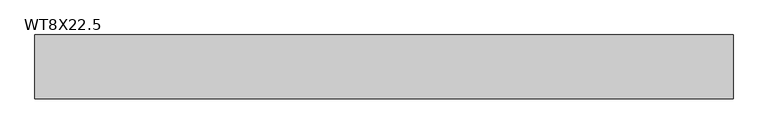
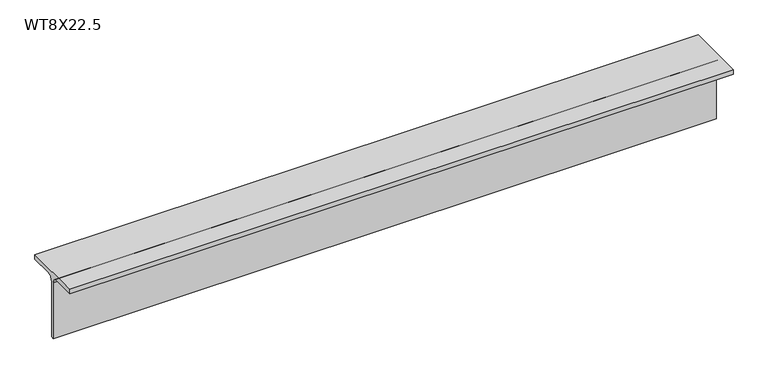
"""IFC4 building model written with IfcOpenShell, lengths in millimetres: beam geometry, WT8X22.5."""

import ifcopenshell
import ifcopenshell.guid

model = None  # the IFC model being written
_history = None  # IfcOwnerHistory: only IFC2X3 demands one
_inside = {}  # id of a spatial element -> (the spatial element, [elements in it])
_under = {}  # id of a project, library or spatial element -> (it, [spatial elements below it])
_declared = {}  # id of a project -> (the project, [libraries it declares])
_typed = {}  # id of a type object -> (the type object, [elements of that type])
_made_of = {}  # id of a material, layer set ... -> (it, [elements and type objects made of it])


def new_model(schema):
    """Start an empty IFC model of exactly this schema.

    Asked for "IFC4X3", IfcOpenShell would pick the latest addendum, in which some entities
    have other attributes; the version numbers below select the first issue.
    IFC2X3 requires an IfcOwnerHistory on every rooted entity: one is made here for all.
    """
    global model, _history
    if schema == "IFC4X3":
        model = ifcopenshell.file(schema_version=(4, 3, 0, 0))
    else:
        model = ifcopenshell.file(schema=schema)
    _inside.clear()
    _under.clear()
    _declared.clear()
    _typed.clear()
    _made_of.clear()
    _history = None
    if model.schema == "IFC2X3":
        org = make("IfcOrganization", Name="unknown")
        user = make(
            "IfcPersonAndOrganization",
            ThePerson=make("IfcPerson", FamilyName="unknown"),
            TheOrganization=org,
        )
        app = make(
            "IfcApplication",
            ApplicationDeveloper=org,
            Version="unknown",
            ApplicationFullName="unknown",
            ApplicationIdentifier="unknown",
        )
        _history = make(
            "IfcOwnerHistory",
            OwningUser=user,
            OwningApplication=app,
            ChangeAction="ADDED",
            CreationDate=0,
        )
    return model


def make(cls, **values):
    """One entity of the class cls with the attributes given. An attribute that is None is left unset."""
    return model.create_entity(
        cls, **{name: value for name, value in values.items() if value is not None}
    )


def rooted(cls, **values):
    """An entity with a GlobalId (a new one), such as an element, a storey or a relation."""
    return make(cls, GlobalId=ifcopenshell.guid.new(), OwnerHistory=_history, **values)


def si_unit(unit_type, name, prefix=None):
    """IfcSIUnit, for example si_unit("LENGTHUNIT", "METRE", prefix="MILLI")."""
    return make("IfcSIUnit", UnitType=unit_type, Prefix=prefix, Name=name)


def assignment(units):
    """IfcUnitAssignment: the units of a project."""
    return None if units is None else make("IfcUnitAssignment", Units=units)


def point(xyz):
    """IfcCartesianPoint."""
    return None if xyz is None else make("IfcCartesianPoint", Coordinates=xyz)


def direction(xyz):
    """IfcDirection."""
    return None if xyz is None else make("IfcDirection", DirectionRatios=xyz)


def frame(location, z_axis=None, x_axis=None):
    """IfcAxis2Placement3D, a coordinate frame: its origin and axes. An axis left out is left unset."""
    return make(
        "IfcAxis2Placement3D",
        Location=point(location),
        Axis=direction(z_axis),
        RefDirection=direction(x_axis),
    )


def frame_2d(location, x_axis=None):
    """IfcAxis2Placement2D, a coordinate frame in the plane: its origin and x axis."""
    return make(
        "IfcAxis2Placement2D", Location=point(location), RefDirection=direction(x_axis)
    )


def origin():
    """The frame at (0, 0, 0) with its axes left unset."""
    return frame((0.0, 0.0, 0.0))


def place(relative_to, where):
    """IfcLocalPlacement: puts the frame where relative to a parent placement (None: the world)."""
    return make(
        "IfcLocalPlacement", PlacementRelTo=relative_to, RelativePlacement=where
    )


def context(
    kind, dimensions, precision=None, world=None, true_north=None, identifier=None
):
    """IfcGeometricRepresentationContext, for example the 3D "Model" context."""
    return make(
        "IfcGeometricRepresentationContext",
        ContextIdentifier=identifier,
        ContextType=kind,
        CoordinateSpaceDimension=dimensions,
        Precision=precision,
        WorldCoordinateSystem=world,
        TrueNorth=true_north,
    )


def project(units=None, contexts=None):
    """IfcProject with its units and contexts."""
    return rooted(
        "IfcProject",
        Name="project",
        RepresentationContexts=contexts,
        UnitsInContext=assignment(units),
    )


def spatial(cls, under=None, at=None, **own):
    """A site, building, storey or space (cls), placed at a placement, below another one or the project."""
    s = rooted(cls, ObjectPlacement=at, **own)
    if under is not None:
        _under.setdefault(under.id(), (under, []))[1].append(s)
    return s


def polyline(points):
    """IfcPolyline through the points."""
    return make("IfcPolyline", Points=[point(p) for p in points])


def circle_curve(where, radius):
    """IfcCircle in the frame where."""
    return make("IfcCircle", Position=where, Radius=radius)


def trimmed(basis, trim1, trim2, sense, master):
    """IfcTrimmedCurve: the piece of a basis curve between two trims."""
    return make(
        "IfcTrimmedCurve",
        BasisCurve=basis,
        Trim1=trim1,
        Trim2=trim2,
        SenseAgreement=sense,
        MasterRepresentation=master,
    )


def segment(curve, same_sense, transition):
    """IfcCompositeCurveSegment."""
    return make(
        "IfcCompositeCurveSegment",
        Transition=transition,
        SameSense=same_sense,
        ParentCurve=curve,
    )


def composite_curve(segments, self_intersect=None):
    """IfcCompositeCurve: segments joined end to end."""
    return make("IfcCompositeCurve", Segments=segments, SelfIntersect=self_intersect)


def outline(outer, holes=None, kind="AREA"):
    """IfcArbitraryClosedProfileDef: a profile drawn as a closed curve; with holes, ...WithVoids."""
    if holes is None:
        return make("IfcArbitraryClosedProfileDef", ProfileType=kind, OuterCurve=outer)
    return make(
        "IfcArbitraryProfileDefWithVoids",
        ProfileType=kind,
        OuterCurve=outer,
        InnerCurves=holes,
    )


def extrude(swept, where, along, depth):
    """IfcExtrudedAreaSolid: the profile swept, set in the frame where, extruded along a direction by depth."""
    return make(
        "IfcExtrudedAreaSolid",
        SweptArea=swept,
        Position=where,
        ExtrudedDirection=direction(along),
        Depth=depth,
    )


def shape(context_of_items, identifier, shape_type, items):
    """IfcShapeRepresentation: the items that make up one representation, for example the "Body"."""
    return make(
        "IfcShapeRepresentation",
        ContextOfItems=context_of_items,
        RepresentationIdentifier=identifier,
        RepresentationType=shape_type,
        Items=items,
    )


def source(mapping_origin, context_of_items, identifier, shape_type, items):
    """IfcRepresentationMap: a shape defined once, which mapped items show again and again."""
    return make(
        "IfcRepresentationMap",
        MappingOrigin=mapping_origin,
        MappedRepresentation=shape(context_of_items, identifier, shape_type, items),
    )


def transform(
    local_origin,
    x_axis=None,
    y_axis=None,
    z_axis=None,
    scale=None,
    scale2=None,
    scale3=None,
    uniform=True,
):
    """IfcCartesianTransformationOperator3D, or its non-uniform kind. x_axis, y_axis, z_axis: its Axis1, 2, 3."""
    if uniform:
        return make(
            "IfcCartesianTransformationOperator3D",
            Axis1=direction(x_axis),
            Axis2=direction(y_axis),
            LocalOrigin=point(local_origin),
            Scale=scale,
            Axis3=direction(z_axis),
        )
    return make(
        "IfcCartesianTransformationOperator3DnonUniform",
        Axis1=direction(x_axis),
        Axis2=direction(y_axis),
        LocalOrigin=point(local_origin),
        Scale=scale,
        Axis3=direction(z_axis),
        Scale2=scale2,
        Scale3=scale3,
    )


def mapped(mapping_source, mapping_target):
    """IfcMappedItem: shows the shape of a source again, moved by a transform."""
    return make(
        "IfcMappedItem", MappingSource=mapping_source, MappingTarget=mapping_target
    )


def made_of(thing, what):
    """Note that an element or type object is made of a material, layer set ...; save() writes the relation."""
    if what is not None:
        _made_of.setdefault(what.id(), (what, []))[1].append(thing)
    return thing


def element(
    cls,
    number,
    at=None,
    inside=None,
    cuts=None,
    type_object=None,
    material=None,
    context=None,
    identifier="Body",
    shape_type=None,
    held_by="IfcProductDefinitionShape",
    body=None,
    shapes=None,
    **own,
):
    """One element of the class cls, such as IfcWall. Its Tag is "e" and its number.

    at: its placement. inside: the storey or other place that contains it. cuts: it is an
    opening in that element (IfcRelVoidsElement). A single representation is given by context,
    identifier, shape_type and body (its items); several are given by shapes. held_by: the class
    of the entity that holds the representations. save() writes the other relations.
    """
    e = rooted(cls, Tag="e%d" % number, ObjectPlacement=at, **own)
    if body is not None:
        shapes = [shape(context, identifier, shape_type, body)]
    if shapes is not None:
        e.Representation = make(held_by, Representations=shapes)
    if inside is not None:
        _inside.setdefault(inside.id(), (inside, []))[1].append(e)
    if cuts is not None:
        rooted(
            "IfcRelVoidsElement", RelatingBuildingElement=cuts, RelatedOpeningElement=e
        )
    if type_object is not None:
        _typed.setdefault(type_object.id(), (type_object, []))[1].append(e)
    return made_of(e, material)


def aggregate(whole, parts):
    """IfcRelAggregates: a whole, such as a stair, and the parts it consists of."""
    return rooted("IfcRelAggregates", RelatingObject=whole, RelatedObjects=parts)


def save(model, path):
    """Write the relations noted so far, then the file.

    IfcRelAggregates (storeys below a building ...), IfcRelContainedInSpatialStructure (elements
    in a storey), IfcRelDefinesByType, IfcRelAssociatesMaterial and IfcRelDeclares: one each for
    every whole, place, type object, material and project.
    """
    for whole, parts in _under.values():
        aggregate(whole, parts)
    for where, things in _inside.values():
        rooted(
            "IfcRelContainedInSpatialStructure",
            RelatedElements=things,
            RelatingStructure=where,
        )
    for kind, things in _typed.values():
        rooted("IfcRelDefinesByType", RelatedObjects=things, RelatingType=kind)
    for what, things in _made_of.values():
        rooted("IfcRelAssociatesMaterial", RelatedObjects=things, RelatingMaterial=what)
    for by, libraries in _declared.values():
        rooted("IfcRelDeclares", RelatingContext=by, RelatedDefinitions=libraries)
    model.write(path)


def wt8x22_5_d9ed745a(model_context):
    return source(origin(), model_context, "Body", "SweptSolid", [
        extrude(outline(composite_curve([segment(polyline([(-89.408, 102.489), (89.408, 102.489), (89.408, 88.138), (21.7805, 88.138)]), True, "CONTINUOUS"), segment(trimmed(circle_curve(frame_2d((21.7805, 70.739)), 17.399), [point((21.7805, 88.138))], [point((4.3815, 70.739))], True, "CARTESIAN"), True, "CONTINUOUS"), segment(polyline([(4.3815, 70.739), (4.3815, -102.489), (-4.3815, -102.489), (-4.3815, 70.739)]), True, "CONTINUOUS"), segment(trimmed(circle_curve(frame_2d((-21.7805, 70.739)), 17.399), [point((-4.3815, 70.739))], [point((-21.7805, 88.138))], True, "CARTESIAN"), True, "CONTINUOUS"), segment(polyline([(-21.7805, 88.138), (-89.408, 88.138), (-89.408, 102.489)]), True, "CONTINUOUS")], self_intersect=False)), frame((-927.0130096, 0.0, 0.0), z_axis=(1.0, 0.0, 0.0), x_axis=(0.0, 1.0, 0.0)), (0.0, 0.0, 1.0), 1955.6685023),
    ])


if __name__ == "__main__":
    model = new_model("IFC4")
    model_context = context("Model", 3, world=origin())
    ifc_project = project(units=[si_unit("LENGTHUNIT", "METRE", prefix="MILLI")], contexts=[model_context])
    site = spatial("IfcSite", under=ifc_project)
    building = spatial("IfcBuilding", under=site)
    placement = place(None, origin())
    wt8x22_5_shape = wt8x22_5_d9ed745a(model_context)
    element("IfcBeam", 1, ObjectType="WT8X22.5", at=placement, inside=building, context=model_context, shape_type="MappedRepresentation", body=[
        mapped(wt8x22_5_shape, transform((0.0, 0.0, 0.0), x_axis=(1.0, 0.0, 0.0), y_axis=(0.0, 1.0, 0.0), z_axis=(0.0, 0.0, 1.0))),
    ])
    save(model, "model.ifc")
